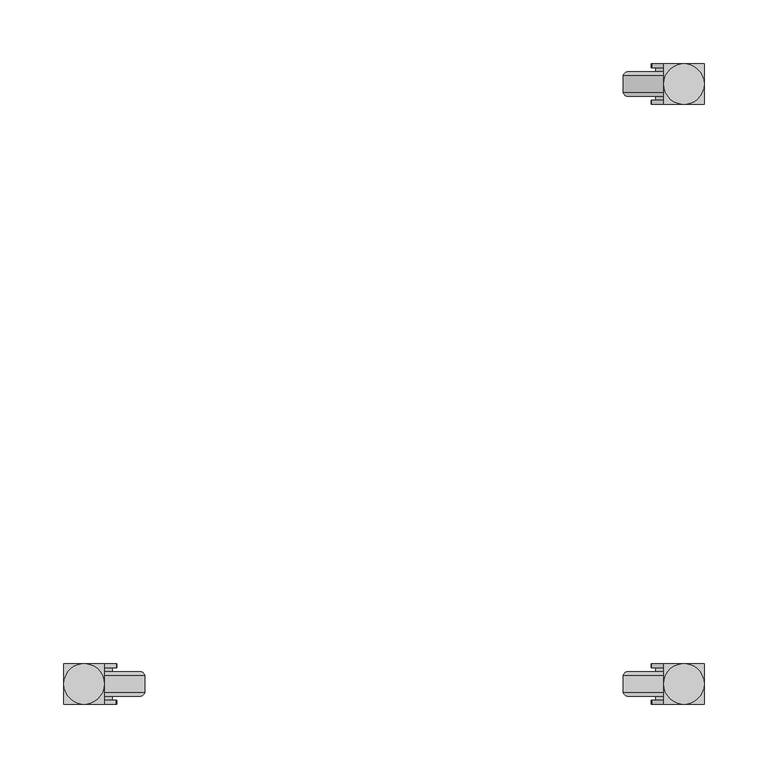
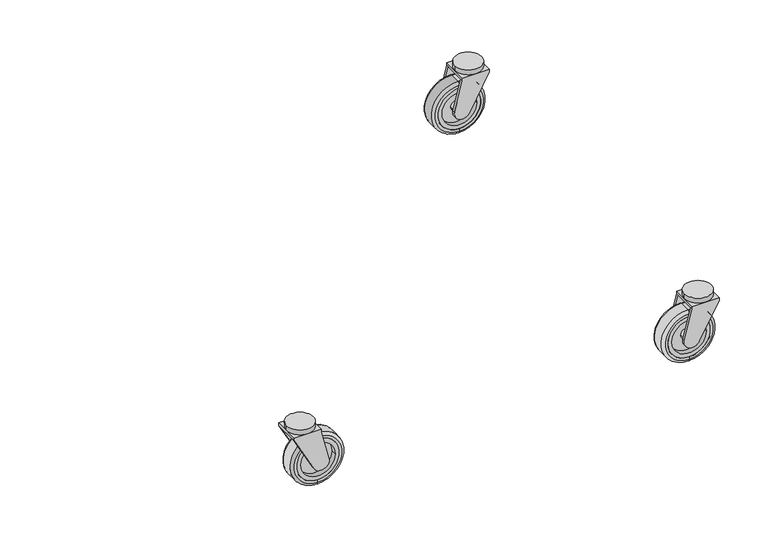
"""IFC4 building model written with IfcOpenShell, lengths in millimetres: proxy geometry."""

from ifc_helpers import new_model, si_unit, point, frame, frame_2d, origin, place, context, project, spatial, polyline, circle_curve, ellipse_curve, trimmed, segment, composite_curve, outline, extrude, source, transform, mapped, element, save
from ifc_brep_helpers import plane_surface, cylinder_surface, revolved_surface, advanced_brep


def specialty_equipment_463bab8f(model_context):
    return source(origin(), model_context, "Body", "SolidModel", [
        advanced_brep(
        [(739.775, -241.3, 0.0), (739.775, -241.3, 63.5), (739.775, -228.6, 63.5), (739.775, -228.6, 0.0), (739.775, -244.475, 3.175), (739.775, -244.475, 60.325), (739.775, -244.475, 6.35), (739.775, -244.475, 57.15), (739.775, -225.425, 6.35), (739.775, -225.425, 57.15), (739.775, -225.425, 3.175), (739.775, -225.425, 60.325)],
        [
            (0, 1, circle_curve(frame((739.775, -241.3, 31.75), z_axis=(0.0, 1.0, 0.0), x_axis=(0.0, 0.0, 1.0)), 31.75)),
            (1, 2),
            (2, 3, circle_curve(frame((739.775, -228.6, 31.75), z_axis=(0.0, -1.0, 0.0), x_axis=(0.0, 0.0, 1.0)), 31.75)),
            (3, 0),
            (1, 0, circle_curve(frame((739.775, -241.3, 31.75), z_axis=(0.0, 1.0, 0.0), x_axis=(0.0, 0.0, 1.0)), 31.75)),
            (3, 2, circle_curve(frame((739.775, -228.6, 31.75), z_axis=(0.0, -1.0, 0.0), x_axis=(0.0, 0.0, 1.0)), 31.75)),
            (4, 5, circle_curve(frame((739.775, -244.475, 31.75), z_axis=(0.0, 1.0, 0.0), x_axis=(0.0, 0.0, 1.0)), 28.575)),
            (5, 1, circle_curve(frame((739.775, -241.3, 60.325), z_axis=(-1.0000000000000002, 0.0, 0.0), x_axis=(0.0, 1.0000000000000002, 0.0)), 3.175)),
            (0, 4, circle_curve(frame((739.775, -241.3, 3.175), z_axis=(-1.0000000000000002, 0.0, 0.0), x_axis=(0.0, 1.0000000000000002, 0.0)), 3.175)),
            (5, 4, circle_curve(frame((739.775, -244.475, 31.75), z_axis=(0.0, 1.0, 0.0), x_axis=(0.0, 0.0, 1.0)), 28.575)),
            (6, 7, circle_curve(frame((739.775, -244.475, 31.75), z_axis=(0.0, 1.0, 0.0), x_axis=(0.0, 0.0, 1.0)), 25.4)),
            (7, 5),
            (4, 6),
            (7, 6, circle_curve(frame((739.775, -244.475, 31.75), z_axis=(0.0, 1.0, 0.0), x_axis=(0.0, 0.0, 1.0)), 25.4)),
            (8, 9, circle_curve(frame((739.775, -225.425, 31.75), z_axis=(0.0, 1.0, 0.0), x_axis=(0.0, 0.0, 1.0)), 25.4)),
            (9, 7),
            (6, 8),
            (9, 8, circle_curve(frame((739.775, -225.425, 31.75), z_axis=(0.0, 1.0, 0.0), x_axis=(0.0, 0.0, 1.0)), 25.4)),
            (10, 11, circle_curve(frame((739.775, -225.425, 31.75), z_axis=(0.0, 1.0, 0.0), x_axis=(0.0, 0.0, 1.0)), 28.575)),
            (11, 9),
            (8, 10),
            (11, 10, circle_curve(frame((739.775, -225.425, 31.75), z_axis=(0.0, 1.0, 0.0), x_axis=(0.0, 0.0, 1.0)), 28.575)),
            (2, 11, circle_curve(frame((739.775, -228.6, 60.325), z_axis=(-1.0000000000000002, 0.0, 0.0), x_axis=(0.0, 1.0000000000000002, 0.0)), 3.175)),
            (10, 3, circle_curve(frame((739.775, -228.6, 3.175), z_axis=(-1.0000000000000002, 0.0, 0.0), x_axis=(0.0, 1.0000000000000002, 0.0)), 3.175)),
        ],
        [
            cylinder_surface(frame((739.775, -257.175, 31.75), z_axis=(0.0, -1.0000000000000002, 0.0), x_axis=(0.0, 0.0, 1.0)), 31.75),
            revolved_surface(trimmed(ellipse_curve(frame((739.775, -241.3, 60.325), z_axis=(1.0000000000000002, 0.0, 0.0), x_axis=(0.0, 1.0000000000000002, 0.0)), 3.175, 3.175), [point((739.775, -241.3, 63.5))], [point((739.775, -244.475, 60.325))], True, "CARTESIAN"), (739.775, -257.175, 31.75), (0.0, -1.0000000000000002, 0.0)),
            plane_surface(frame((739.775, -244.475, 31.75), z_axis=(0.0, -1.0, 0.0), x_axis=(0.0, 0.0, 1.0))),
            revolved_surface(polyline([(739.775, -244.475, 57.15), (739.775, -225.425, 57.15)]), (739.775, -257.175, 31.75), (0.0, -1.0000000000000002, 0.0)),
            plane_surface(frame((739.775, -225.425, 31.75), z_axis=(0.0, 1.0, 0.0), x_axis=(0.0, 0.0, 1.0))),
            revolved_surface(trimmed(ellipse_curve(frame((739.775, -228.6, 60.325), z_axis=(1.0000000000000002, 0.0, 0.0), x_axis=(0.0, 1.0000000000000002, 0.0)), 3.175, 3.175), [point((739.775, -225.425, 60.325))], [point((739.775, -228.6, 63.5))], True, "CARTESIAN"), (739.775, -257.175, 31.75), (0.0, -1.0000000000000002, 0.0)),
        ],
        [
            (0, [[1, 2, 3, 4]]),
            (0, [[5, -4, 6, -2]]),
            (1, [[7, 8, -1, 9]]),
            (1, [[10, -9, -5, -8]]),
            (2, [[11, 12, -7, 13]]),
            (2, [[14, -13, -10, -12]]),
            (3, [[15, 16, -11, 17]]),
            (3, [[18, -17, -14, -16]]),
            (4, [[19, 20, -15, 21]]),
            (4, [[22, -21, -18, -20]]),
            (5, [[-3, 23, -19, 24]]),
            (5, [[-6, -24, -22, -23]]),
        ],
    ),
        advanced_brep(
        [(714.375, -244.475, 31.75), (765.175, -244.475, 31.75), (719.455, -244.475, 31.75), (760.095, -244.475, 31.75), (733.425, -244.475, 31.75), (746.125, -244.475, 31.75), (714.375, -238.125, 31.75), (765.175, -238.125, 31.75), (733.425, -238.125, 31.75), (746.125, -238.125, 31.75), (719.455, -238.125, 31.75), (760.095, -238.125, 31.75), (760.095, -231.775, 31.75), (719.455, -231.775, 31.75), (746.125, -231.775, 31.75), (733.425, -231.775, 31.75), (714.375, -231.775, 31.75), (765.175, -231.775, 31.75), (714.375, -225.425, 31.75), (765.175, -225.425, 31.75), (719.455, -225.425, 31.75), (760.095, -225.425, 31.75), (733.425, -225.425, 31.75), (746.125, -225.425, 31.75)],
        [
            (0, 1, circle_curve(frame((739.775, -244.475, 31.75), z_axis=(0.0, -1.0, 0.0), x_axis=(1.0000000000000002, 0.0, 0.0)), 25.4)),
            (1, 0, circle_curve(frame((739.775, -244.475, 31.75), z_axis=(0.0, -1.0, 0.0), x_axis=(1.0000000000000002, 0.0, 0.0)), 25.4)),
            (2, 3, circle_curve(frame((739.775, -244.475, 31.75), z_axis=(0.0, 1.0, 0.0), x_axis=(1.0000000000000002, 0.0, 0.0)), 20.32)),
            (3, 2, circle_curve(frame((739.775, -244.475, 31.75), z_axis=(0.0, 1.0, 0.0), x_axis=(1.0000000000000002, 0.0, 0.0)), 20.32)),
            (4, 5, circle_curve(frame((739.775, -244.475, 31.75), z_axis=(0.0, -1.0, 0.0), x_axis=(1.0000000000000002, 0.0, 0.0)), 6.35)),
            (5, 4, circle_curve(frame((739.775, -244.475, 31.75), z_axis=(0.0, -1.0, 0.0), x_axis=(1.0000000000000002, 0.0, 0.0)), 6.35)),
            (0, 6),
            (6, 7, circle_curve(frame((739.775, -238.125, 31.75), z_axis=(0.0, -1.0, 0.0), x_axis=(1.0000000000000002, 0.0, 0.0)), 25.4)),
            (7, 1),
            (7, 6, circle_curve(frame((739.775, -238.125, 31.75), z_axis=(0.0, -1.0, 0.0), x_axis=(1.0000000000000002, 0.0, 0.0)), 25.4)),
            (4, 8),
            (8, 9, circle_curve(frame((739.775, -238.125, 31.75), z_axis=(0.0, -1.0, 0.0), x_axis=(1.0000000000000002, 0.0, 0.0)), 6.35)),
            (9, 5),
            (9, 8, circle_curve(frame((739.775, -238.125, 31.75), z_axis=(0.0, -1.0, 0.0), x_axis=(1.0000000000000002, 0.0, 0.0)), 6.35)),
            (2, 10),
            (10, 11, circle_curve(frame((739.775, -238.125, 31.75), z_axis=(0.0, 1.0, 0.0), x_axis=(1.0000000000000002, 0.0, 0.0)), 20.32)),
            (11, 3),
            (11, 10, circle_curve(frame((739.775, -238.125, 31.75), z_axis=(0.0, 1.0, 0.0), x_axis=(1.0000000000000002, 0.0, 0.0)), 20.32)),
            (12, 13, circle_curve(frame((739.775, -231.775, 31.75), z_axis=(0.0, 1.0, 0.0), x_axis=(1.0000000000000002, 0.0, 0.0)), 20.32)),
            (13, 12, circle_curve(frame((739.775, -231.775, 31.75), z_axis=(0.0, 1.0, 0.0), x_axis=(1.0000000000000002, 0.0, 0.0)), 20.32)),
            (14, 15, circle_curve(frame((739.775, -231.775, 31.75), z_axis=(0.0, -1.0, 0.0), x_axis=(1.0000000000000002, 0.0, 0.0)), 6.35)),
            (15, 14, circle_curve(frame((739.775, -231.775, 31.75), z_axis=(0.0, -1.0, 0.0), x_axis=(1.0000000000000002, 0.0, 0.0)), 6.35)),
            (6, 16),
            (16, 17, circle_curve(frame((739.775, -231.775, 31.75), z_axis=(0.0, -1.0, 0.0), x_axis=(1.0000000000000002, 0.0, 0.0)), 25.4)),
            (17, 7),
            (17, 16, circle_curve(frame((739.775, -231.775, 31.75), z_axis=(0.0, -1.0, 0.0), x_axis=(1.0000000000000002, 0.0, 0.0)), 25.4)),
            (18, 19, circle_curve(frame((739.775, -225.425, 31.75), z_axis=(0.0, 1.0, 0.0), x_axis=(1.0000000000000002, 0.0, 0.0)), 25.4)),
            (19, 18, circle_curve(frame((739.775, -225.425, 31.75), z_axis=(0.0, 1.0, 0.0), x_axis=(1.0000000000000002, 0.0, 0.0)), 25.4)),
            (20, 21, circle_curve(frame((739.775, -225.425, 31.75), z_axis=(0.0, -1.0, 0.0), x_axis=(1.0000000000000002, 0.0, 0.0)), 20.32)),
            (21, 20, circle_curve(frame((739.775, -225.425, 31.75), z_axis=(0.0, -1.0, 0.0), x_axis=(1.0000000000000002, 0.0, 0.0)), 20.32)),
            (22, 23, circle_curve(frame((739.775, -225.425, 31.75), z_axis=(0.0, 1.0, 0.0), x_axis=(1.0000000000000002, 0.0, 0.0)), 6.35)),
            (23, 22, circle_curve(frame((739.775, -225.425, 31.75), z_axis=(0.0, 1.0, 0.0), x_axis=(1.0000000000000002, 0.0, 0.0)), 6.35)),
            (18, 16),
            (17, 19),
            (22, 15),
            (14, 23),
            (20, 13),
            (12, 21),
        ],
        [
            plane_surface(frame((765.175, -244.475, 31.75), z_axis=(0.0, -1.0, 0.0), x_axis=(0.0, 0.0, 1.0))),
            cylinder_surface(frame((739.775, -238.125, 31.75), z_axis=(0.0, -1.0000000000000002, 0.0), x_axis=(1.0000000000000002, 0.0, 0.0)), 25.4),
            cylinder_surface(frame((739.775, -234.95, 31.75), z_axis=(0.0, -1.0000000000000002, 0.0), x_axis=(1.0000000000000002, 0.0, 0.0)), 6.35),
            revolved_surface(polyline([(760.095, -238.125, 31.75), (760.095, -244.475, 31.75)]), (739.775, -234.95, 31.75), (0.0, 1.0000000000000002, 0.0)),
            plane_surface(frame((765.175, -238.125, 31.75), z_axis=(0.0, -1.0, 0.0), x_axis=(0.0, 0.0, 1.0))),
            plane_surface(frame((765.175, -231.775, 31.75), z_axis=(0.0, 1.0, 0.0), x_axis=(0.0, 0.0, -1.0))),
            cylinder_surface(frame((739.775, -231.775, 31.75), z_axis=(0.0, -1.0000000000000002, 0.0), x_axis=(1.0000000000000002, 0.0, 0.0)), 25.4),
            plane_surface(frame((765.175, -225.425, 31.75), z_axis=(0.0, 1.0, 0.0), x_axis=(0.0, 0.0, -1.0))),
            cylinder_surface(frame((739.775, -231.775, 31.75), z_axis=(0.0, 1.0000000000000002, 0.0), x_axis=(1.0000000000000002, 0.0, 0.0)), 25.4),
            cylinder_surface(frame((739.775, -234.95, 31.75), z_axis=(0.0, 1.0000000000000002, 0.0), x_axis=(1.0000000000000002, 0.0, 0.0)), 6.35),
            revolved_surface(polyline([(760.095, -231.775, 31.75), (760.095, -225.425, 31.75)]), (739.775, -234.95, 31.75), (0.0, -1.0000000000000002, 0.0)),
        ],
        [
            (0, [[1, 2], [3, 4]]),
            (0, [[5, 6]]),
            (1, [[-1, 7, 8, 9]]),
            (1, [[-2, -9, 10, -7]]),
            (2, [[-5, 11, 12, 13]]),
            (2, [[-6, -13, 14, -11]]),
            (3, [[-3, 15, 16, 17]]),
            (3, [[-4, -17, 18, -15]]),
            (4, [[-16, -18], [-12, -14]]),
            (5, [[19, 20], [21, 22]]),
            (6, [[23, 24, 25, -8]]),
            (6, [[-23, -10, -25, 26]]),
            (7, [[27, 28], [29, 30]]),
            (7, [[31, 32]]),
            (8, [[-27, 33, -26, 34]]),
            (8, [[-28, -34, -24, -33]]),
            (9, [[-31, 35, -21, 36]]),
            (9, [[-32, -36, -22, -35]]),
            (10, [[-29, 37, -19, 38]]),
            (10, [[-30, -38, -20, -37]]),
        ],
    ),
        advanced_brep(
        [(733.425, -247.65, 31.75), (733.425, -222.25, 31.75), (746.125, -222.25, 31.75), (746.125, -247.65, 31.75), (730.471256, -250.825, 33.7910714), (748.3724401, -250.825, 27.6500428), (771.525, -250.825, 69.85), (771.525, -250.825, 73.025), (739.775, -250.825, 73.025), (739.775, -250.825, 69.85), (730.471256, -247.65, 33.7910714), (739.775, -247.65, 69.85), (771.525, -247.65, 69.85), (748.3724401, -247.65, 27.6500428), (771.525, -219.075, 73.025), (739.775, -219.075, 73.025), (739.775, -222.25, 69.85), (771.525, -222.25, 69.85), (771.525, -219.075, 69.85), (748.3724401, -219.075, 27.6500428), (730.471256, -219.075, 33.7910714), (739.775, -219.075, 69.85), (730.471256, -222.25, 33.7910714), (748.3724401, -222.25, 27.6500428)],
        [
            (0, 1),
            (1, 2, circle_curve(frame((739.775, -222.25, 31.75), z_axis=(0.0, -1.0, 0.0), x_axis=(1.0000000000000002, 0.0, 0.0)), 6.35)),
            (2, 3),
            (3, 0, circle_curve(frame((739.775, -247.65, 31.75), z_axis=(0.0, 1.0, 0.0), x_axis=(1.0000000000000002, 0.0, 0.0)), 6.35)),
            (0, 3, circle_curve(frame((739.775, -247.65, 31.75), z_axis=(0.0, 1.0, 0.0), x_axis=(1.0000000000000002, 0.0, 0.0)), 6.35)),
            (2, 1, circle_curve(frame((739.775, -222.25, 31.75), z_axis=(0.0, -1.0, 0.0), x_axis=(1.0000000000000002, 0.0, 0.0)), 6.35)),
            (4, 5, circle_curve(frame((739.775, -250.825, 31.75), z_axis=(0.0, -1.0, 0.0), x_axis=(1.0000000000000002, 0.0, 0.0)), 9.525)),
            (5, 6),
            (6, 7),
            (7, 8),
            (8, 9),
            (9, 4),
            (10, 11),
            (11, 12),
            (12, 13),
            (13, 10, circle_curve(frame((739.775, -247.65, 31.75), z_axis=(0.0, 1.0, 0.0), x_axis=(1.0000000000000002, 0.0, 0.0)), 9.525)),
            (4, 10),
            (13, 5),
            (12, 6),
            (9, 11),
            (14, 15),
            (15, 8),
            (7, 14),
            (11, 16),
            (16, 17),
            (17, 12),
            (14, 18),
            (18, 19),
            (19, 20, circle_curve(frame((739.775, -219.075, 31.75), z_axis=(0.0, 1.0, 0.0), x_axis=(1.0000000000000002, 0.0, 0.0)), 9.525)),
            (20, 21),
            (21, 15),
            (21, 16),
            (17, 18),
            (22, 23, circle_curve(frame((739.775, -222.25, 31.75), z_axis=(0.0, -1.0, 0.0), x_axis=(1.0000000000000002, 0.0, 0.0)), 9.525)),
            (23, 17),
            (16, 22),
            (20, 22),
            (23, 19),
        ],
        [
            cylinder_surface(frame((739.775, -222.25, 31.75), z_axis=(0.0, -1.0000000000000002, 0.0), x_axis=(1.0000000000000002, 0.0, 0.0)), 6.35),
            plane_surface(frame((749.3, -250.825, 31.75), z_axis=(0.0, -1.0, 0.0), x_axis=(0.0, 0.0, 1.0))),
            plane_surface(frame((749.3, -247.65, 31.75), z_axis=(0.0, 1.0, 0.0), x_axis=(0.0, 0.0, -1.0))),
            cylinder_surface(frame((739.775, -247.65, 31.75), z_axis=(0.0, -1.0000000000000002, 0.0), x_axis=(1.0000000000000002, 0.0, 0.0)), 9.525),
            plane_surface(frame((748.3724401, -250.825, 27.6500428), z_axis=(0.8767191283457083, 0.0, -0.4810026715027077), x_axis=(0.0, 1.0, 0.0))),
            plane_surface(frame((739.775, -250.825, 69.85), z_axis=(-0.9682889261954798, 0.0, 0.24983305507319234), x_axis=(0.0, 1.0, 0.0))),
            plane_surface(frame((739.775, -219.075, 73.025), z_axis=(0.0, 0.0, 1.0), x_axis=(-1.0, 0.0, 0.0))),
            plane_surface(frame((739.775, -219.075, 69.85), z_axis=(0.0, 0.0, -1.0), x_axis=(1.0, 0.0, 0.0))),
            plane_surface(frame((771.525, -219.075, 73.025), z_axis=(0.0, 1.0, 0.0), x_axis=(0.0, 0.0, -1.0))),
            plane_surface(frame((739.775, -219.075, 73.025), z_axis=(-1.0, 0.0, 0.0), x_axis=(0.0, 0.0, -1.0))),
            plane_surface(frame((771.525, -250.825, 73.025), z_axis=(1.0, 0.0, 0.0), x_axis=(0.0, 0.0, -1.0))),
            plane_surface(frame((741.3183757, -222.25, 75.8317288), z_axis=(0.0, -1.0, 0.0), x_axis=(-0.24983305507319234, 0.0, -0.9682889261954798))),
            plane_surface(frame((730.471256, -219.075, 33.7910714), z_axis=(-0.9682889261954798, 0.0, 0.24983305507319234), x_axis=(0.0, -1.0, 0.0))),
            plane_surface(frame((771.525, -219.075, 69.85), z_axis=(0.8767191283457083, 0.0, -0.4810026715027077), x_axis=(0.0, -1.0, 0.0))),
            cylinder_surface(frame((739.775, -222.25, 31.75), z_axis=(0.0, 1.0000000000000002, 0.0), x_axis=(1.0000000000000002, 0.0, 0.0)), 9.525),
        ],
        [
            (0, [[1, 2, 3, 4]]),
            (0, [[-1, 5, -3, 6]]),
            (1, [[7, 8, 9, 10, 11, 12]]),
            (2, [[13, 14, 15, 16], [-4, -5]]),
            (3, [[-7, 17, -16, 18]]),
            (4, [[-8, -18, -15, 19]]),
            (5, [[-12, 20, -13, -17]]),
            (6, [[21, 22, -10, 23]]),
            (7, [[-14, 24, 25, 26]]),
            (8, [[-21, 27, 28, 29, 30, 31]]),
            (9, [[-22, -31, 32, -24, -20, -11]]),
            (10, [[-23, -9, -19, -26, 33, -27]]),
            (11, [[34, 35, -25, 36], [-2, -6]]),
            (12, [[-30, 37, -36, -32]]),
            (13, [[-28, -33, -35, 38]]),
            (14, [[-29, -38, -34, -37]]),
        ],
    ),
        extrude(outline(composite_curve([segment(trimmed(circle_curve(frame_2d((755.65, -234.95)), 15.875), [point((739.775, -234.95))], [point((771.525, -234.95))], False, "CARTESIAN"), True, "CONTINUOUS"), segment(trimmed(circle_curve(frame_2d((755.65, -234.95)), 15.875), [point((771.525, -234.95))], [point((739.775, -234.95))], False, "CARTESIAN"), True, "CONTINUOUS")], self_intersect=False)), frame((0.0, 0.0, 73.025), z_axis=(0.0, 0.0, 1.0), x_axis=(1.0, 0.0, 0.0)), (0.0, 0.0, 1.0), 6.35),
        advanced_brep(
        [(739.775, 241.3, 0.0), (739.775, 228.6, 0.0), (739.775, 228.6, 63.5), (739.775, 241.3, 63.5), (739.775, 244.475, 3.175), (739.775, 244.475, 60.325), (739.775, 244.475, 6.35), (739.775, 244.475, 57.15), (739.775, 225.425, 6.35), (739.775, 225.425, 57.15), (739.775, 225.425, 3.175), (739.775, 225.425, 60.325)],
        [
            (0, 1),
            (1, 2, circle_curve(frame((739.775, 228.6, 31.75), z_axis=(0.0, 1.0, 0.0), x_axis=(0.0, 0.0, 1.0)), 31.75)),
            (2, 3),
            (3, 0, circle_curve(frame((739.775, 241.3, 31.75), z_axis=(0.0, -1.0, 0.0), x_axis=(0.0, 0.0, 1.0)), 31.75)),
            (2, 1, circle_curve(frame((739.775, 228.6, 31.75), z_axis=(0.0, 1.0, 0.0), x_axis=(0.0, 0.0, 1.0)), 31.75)),
            (0, 3, circle_curve(frame((739.775, 241.3, 31.75), z_axis=(0.0, -1.0, 0.0), x_axis=(0.0, 0.0, 1.0)), 31.75)),
            (4, 0, circle_curve(frame((739.775, 241.3, 3.175), z_axis=(-1.0000000000000002, 0.0, 0.0), x_axis=(0.0, -1.0000000000000002, 0.0)), 3.175)),
            (3, 5, circle_curve(frame((739.775, 241.3, 60.325), z_axis=(-1.0000000000000002, 0.0, 0.0), x_axis=(0.0, -1.0000000000000002, 0.0)), 3.175)),
            (5, 4, circle_curve(frame((739.775, 244.475, 31.75), z_axis=(0.0, -1.0, 0.0), x_axis=(0.0, 0.0, 1.0)), 28.575)),
            (4, 5, circle_curve(frame((739.775, 244.475, 31.75), z_axis=(0.0, -1.0, 0.0), x_axis=(0.0, 0.0, 1.0)), 28.575)),
            (6, 4),
            (5, 7),
            (7, 6, circle_curve(frame((739.775, 244.475, 31.75), z_axis=(0.0, -1.0, 0.0), x_axis=(0.0, 0.0, 1.0)), 25.4)),
            (6, 7, circle_curve(frame((739.775, 244.475, 31.75), z_axis=(0.0, -1.0, 0.0), x_axis=(0.0, 0.0, 1.0)), 25.4)),
            (8, 6),
            (7, 9),
            (9, 8, circle_curve(frame((739.775, 225.425, 31.75), z_axis=(0.0, -1.0, 0.0), x_axis=(0.0, 0.0, 1.0)), 25.4)),
            (8, 9, circle_curve(frame((739.775, 225.425, 31.75), z_axis=(0.0, -1.0, 0.0), x_axis=(0.0, 0.0, 1.0)), 25.4)),
            (10, 8),
            (9, 11),
            (11, 10, circle_curve(frame((739.775, 225.425, 31.75), z_axis=(0.0, -1.0, 0.0), x_axis=(0.0, 0.0, 1.0)), 28.575)),
            (10, 11, circle_curve(frame((739.775, 225.425, 31.75), z_axis=(0.0, -1.0, 0.0), x_axis=(0.0, 0.0, 1.0)), 28.575)),
            (1, 10, circle_curve(frame((739.775, 228.6, 3.175), z_axis=(-1.0000000000000002, 0.0, 0.0), x_axis=(0.0, -1.0000000000000002, 0.0)), 3.175)),
            (11, 2, circle_curve(frame((739.775, 228.6, 60.325), z_axis=(-1.0000000000000002, 0.0, 0.0), x_axis=(0.0, -1.0000000000000002, 0.0)), 3.175)),
        ],
        [
            cylinder_surface(frame((739.775, 257.175, 31.75), z_axis=(0.0, 1.0000000000000002, 0.0), x_axis=(0.0, 0.0, 1.0)), 31.75),
            revolved_surface(trimmed(ellipse_curve(frame((739.775, 241.3, 60.325), z_axis=(-1.0000000000000002, 0.0, 0.0), x_axis=(0.0, -1.0000000000000002, 0.0)), 3.175, 3.175), [point((739.775, 241.3, 63.5))], [point((739.775, 244.475, 60.325))], True, "CARTESIAN"), (739.775, 257.175, 31.75), (0.0, 1.0000000000000002, 0.0)),
            plane_surface(frame((739.775, 244.475, 31.75), z_axis=(0.0, 1.0, 0.0), x_axis=(0.0, 0.0, 1.0))),
            revolved_surface(polyline([(739.775, 244.475, 57.15), (739.775, 225.425, 57.15)]), (739.775, 257.175, 31.75), (0.0, 1.0000000000000002, 0.0)),
            plane_surface(frame((739.775, 225.425, 31.75), z_axis=(0.0, -1.0, 0.0), x_axis=(0.0, 0.0, 1.0))),
            revolved_surface(trimmed(ellipse_curve(frame((739.775, 228.6, 60.325), z_axis=(-1.0000000000000002, 0.0, 0.0), x_axis=(0.0, -1.0000000000000002, 0.0)), 3.175, 3.175), [point((739.775, 225.425, 60.325))], [point((739.775, 228.6, 63.5))], True, "CARTESIAN"), (739.775, 257.175, 31.75), (0.0, 1.0000000000000002, 0.0)),
        ],
        [
            (0, [[1, 2, 3, 4]]),
            (0, [[-3, 5, -1, 6]]),
            (1, [[7, -4, 8, 9]]),
            (1, [[-8, -6, -7, 10]]),
            (2, [[11, -9, 12, 13]]),
            (2, [[-12, -10, -11, 14]]),
            (3, [[15, -13, 16, 17]]),
            (3, [[-16, -14, -15, 18]]),
            (4, [[19, -17, 20, 21]]),
            (4, [[-20, -18, -19, 22]]),
            (5, [[23, -21, 24, -2]]),
            (5, [[-24, -22, -23, -5]]),
        ],
    ),
        advanced_brep(
        [(714.375, 244.475, 31.75), (765.175, 244.475, 31.75), (719.455, 244.475, 31.75), (760.095, 244.475, 31.75), (733.425, 244.475, 31.75), (746.125, 244.475, 31.75), (765.175, 238.125, 31.75), (714.375, 238.125, 31.75), (746.125, 238.125, 31.75), (733.425, 238.125, 31.75), (760.095, 238.125, 31.75), (719.455, 238.125, 31.75), (760.095, 231.775, 31.75), (719.455, 231.775, 31.75), (746.125, 231.775, 31.75), (733.425, 231.775, 31.75), (765.175, 231.775, 31.75), (714.375, 231.775, 31.75), (714.375, 225.425, 31.75), (765.175, 225.425, 31.75), (719.455, 225.425, 31.75), (760.095, 225.425, 31.75), (733.425, 225.425, 31.75), (746.125, 225.425, 31.75)],
        [
            (0, 1, circle_curve(frame((739.775, 244.475, 31.75), z_axis=(0.0, 1.0, 0.0), x_axis=(1.0000000000000002, 0.0, 0.0)), 25.4)),
            (1, 0, circle_curve(frame((739.775, 244.475, 31.75), z_axis=(0.0, 1.0, 0.0), x_axis=(1.0000000000000002, 0.0, 0.0)), 25.4)),
            (2, 3, circle_curve(frame((739.775, 244.475, 31.75), z_axis=(0.0, -1.0, 0.0), x_axis=(1.0000000000000002, 0.0, 0.0)), 20.32)),
            (3, 2, circle_curve(frame((739.775, 244.475, 31.75), z_axis=(0.0, -1.0, 0.0), x_axis=(1.0000000000000002, 0.0, 0.0)), 20.32)),
            (4, 5, circle_curve(frame((739.775, 244.475, 31.75), z_axis=(0.0, 1.0, 0.0), x_axis=(1.0000000000000002, 0.0, 0.0)), 6.35)),
            (5, 4, circle_curve(frame((739.775, 244.475, 31.75), z_axis=(0.0, 1.0, 0.0), x_axis=(1.0000000000000002, 0.0, 0.0)), 6.35)),
            (1, 6),
            (6, 7, circle_curve(frame((739.775, 238.125, 31.75), z_axis=(0.0, 1.0, 0.0), x_axis=(1.0000000000000002, 0.0, 0.0)), 25.4)),
            (7, 0),
            (7, 6, circle_curve(frame((739.775, 238.125, 31.75), z_axis=(0.0, 1.0, 0.0), x_axis=(1.0000000000000002, 0.0, 0.0)), 25.4)),
            (5, 8),
            (8, 9, circle_curve(frame((739.775, 238.125, 31.75), z_axis=(0.0, 1.0, 0.0), x_axis=(1.0000000000000002, 0.0, 0.0)), 6.35)),
            (9, 4),
            (9, 8, circle_curve(frame((739.775, 238.125, 31.75), z_axis=(0.0, 1.0, 0.0), x_axis=(1.0000000000000002, 0.0, 0.0)), 6.35)),
            (3, 10),
            (10, 11, circle_curve(frame((739.775, 238.125, 31.75), z_axis=(0.0, -1.0, 0.0), x_axis=(1.0000000000000002, 0.0, 0.0)), 20.32)),
            (11, 2),
            (11, 10, circle_curve(frame((739.775, 238.125, 31.75), z_axis=(0.0, -1.0, 0.0), x_axis=(1.0000000000000002, 0.0, 0.0)), 20.32)),
            (12, 13, circle_curve(frame((739.775, 231.775, 31.75), z_axis=(0.0, -1.0, 0.0), x_axis=(1.0000000000000002, 0.0, 0.0)), 20.32)),
            (13, 12, circle_curve(frame((739.775, 231.775, 31.75), z_axis=(0.0, -1.0, 0.0), x_axis=(1.0000000000000002, 0.0, 0.0)), 20.32)),
            (14, 15, circle_curve(frame((739.775, 231.775, 31.75), z_axis=(0.0, 1.0, 0.0), x_axis=(1.0000000000000002, 0.0, 0.0)), 6.35)),
            (15, 14, circle_curve(frame((739.775, 231.775, 31.75), z_axis=(0.0, 1.0, 0.0), x_axis=(1.0000000000000002, 0.0, 0.0)), 6.35)),
            (6, 16),
            (16, 17, circle_curve(frame((739.775, 231.775, 31.75), z_axis=(0.0, 1.0, 0.0), x_axis=(1.0000000000000002, 0.0, 0.0)), 25.4)),
            (17, 7),
            (17, 16, circle_curve(frame((739.775, 231.775, 31.75), z_axis=(0.0, 1.0, 0.0), x_axis=(1.0000000000000002, 0.0, 0.0)), 25.4)),
            (18, 19, circle_curve(frame((739.775, 225.425, 31.75), z_axis=(0.0, -1.0, 0.0), x_axis=(1.0000000000000002, 0.0, 0.0)), 25.4)),
            (19, 18, circle_curve(frame((739.775, 225.425, 31.75), z_axis=(0.0, -1.0, 0.0), x_axis=(1.0000000000000002, 0.0, 0.0)), 25.4)),
            (20, 21, circle_curve(frame((739.775, 225.425, 31.75), z_axis=(0.0, 1.0, 0.0), x_axis=(1.0000000000000002, 0.0, 0.0)), 20.32)),
            (21, 20, circle_curve(frame((739.775, 225.425, 31.75), z_axis=(0.0, 1.0, 0.0), x_axis=(1.0000000000000002, 0.0, 0.0)), 20.32)),
            (22, 23, circle_curve(frame((739.775, 225.425, 31.75), z_axis=(0.0, -1.0, 0.0), x_axis=(1.0000000000000002, 0.0, 0.0)), 6.35)),
            (23, 22, circle_curve(frame((739.775, 225.425, 31.75), z_axis=(0.0, -1.0, 0.0), x_axis=(1.0000000000000002, 0.0, 0.0)), 6.35)),
            (19, 16),
            (17, 18),
            (23, 14),
            (15, 22),
            (21, 12),
            (13, 20),
        ],
        [
            plane_surface(frame((765.175, 244.475, 31.75), z_axis=(0.0, 1.0, 0.0), x_axis=(0.0, 0.0, 1.0))),
            cylinder_surface(frame((739.775, 238.125, 31.75), z_axis=(0.0, 1.0000000000000002, 0.0), x_axis=(1.0000000000000002, 0.0, 0.0)), 25.4),
            cylinder_surface(frame((739.775, 234.95, 31.75), z_axis=(0.0, 1.0000000000000002, 0.0), x_axis=(1.0000000000000002, 0.0, 0.0)), 6.35),
            revolved_surface(polyline([(760.095, 238.125, 31.75), (760.095, 244.475, 31.75)]), (739.775, 234.95, 31.75), (0.0, -1.0000000000000002, 0.0)),
            plane_surface(frame((765.175, 238.125, 31.75), z_axis=(0.0, 1.0, 0.0), x_axis=(0.0, 0.0, 1.0))),
            plane_surface(frame((765.175, 231.775, 31.75), z_axis=(0.0, -1.0, 0.0), x_axis=(0.0, 0.0, -1.0))),
            cylinder_surface(frame((739.775, 231.775, 31.75), z_axis=(0.0, 1.0000000000000002, 0.0), x_axis=(1.0000000000000002, 0.0, 0.0)), 25.4),
            plane_surface(frame((765.175, 225.425, 31.75), z_axis=(0.0, -1.0, 0.0), x_axis=(0.0, 0.0, -1.0))),
            cylinder_surface(frame((739.775, 231.775, 31.75), z_axis=(0.0, -1.0000000000000002, 0.0), x_axis=(1.0000000000000002, 0.0, 0.0)), 25.4),
            cylinder_surface(frame((739.775, 234.95, 31.75), z_axis=(0.0, -1.0000000000000002, 0.0), x_axis=(1.0000000000000002, 0.0, 0.0)), 6.35),
            revolved_surface(polyline([(760.095, 231.775, 31.75), (760.095, 225.425, 31.75)]), (739.775, 234.95, 31.75), (0.0, 1.0000000000000002, 0.0)),
        ],
        [
            (0, [[1, 2], [3, 4]]),
            (0, [[5, 6]]),
            (1, [[7, 8, 9, -2]]),
            (1, [[-9, 10, -7, -1]]),
            (2, [[11, 12, 13, -6]]),
            (2, [[-13, 14, -11, -5]]),
            (3, [[15, 16, 17, -4]]),
            (3, [[-17, 18, -15, -3]]),
            (4, [[-18, -16], [-14, -12]]),
            (5, [[19, 20], [21, 22]]),
            (6, [[-8, 23, 24, 25]]),
            (6, [[26, -23, -10, -25]]),
            (7, [[27, 28], [29, 30]]),
            (7, [[31, 32]]),
            (8, [[33, -26, 34, -28]]),
            (8, [[-34, -24, -33, -27]]),
            (9, [[35, -22, 36, -32]]),
            (9, [[-36, -21, -35, -31]]),
            (10, [[37, -20, 38, -30]]),
            (10, [[-38, -19, -37, -29]]),
        ],
    ),
        advanced_brep(
        [(733.425, 247.65, 31.75), (746.125, 247.65, 31.75), (746.125, 222.25, 31.75), (733.425, 222.25, 31.75), (730.471256, 250.825, 33.7910714), (739.775, 250.825, 69.85), (739.775, 250.825, 73.025), (771.525, 250.825, 73.025), (771.525, 250.825, 69.85), (748.3724401, 250.825, 27.6500428), (730.471256, 247.65, 33.7910714), (748.3724401, 247.65, 27.6500428), (771.525, 247.65, 69.85), (739.775, 247.65, 69.85), (771.525, 219.075, 73.025), (739.775, 219.075, 73.025), (771.525, 222.25, 69.85), (739.775, 222.25, 69.85), (739.775, 219.075, 69.85), (730.471256, 219.075, 33.7910714), (748.3724401, 219.075, 27.6500428), (771.525, 219.075, 69.85), (730.471256, 222.25, 33.7910714), (748.3724401, 222.25, 27.6500428)],
        [
            (0, 1, circle_curve(frame((739.775, 247.65, 31.75), z_axis=(0.0, -1.0, 0.0), x_axis=(1.0000000000000002, 0.0, 0.0)), 6.35)),
            (1, 2),
            (2, 3, circle_curve(frame((739.775, 222.25, 31.75), z_axis=(0.0, 1.0, 0.0), x_axis=(1.0000000000000002, 0.0, 0.0)), 6.35)),
            (3, 0),
            (3, 2, circle_curve(frame((739.775, 222.25, 31.75), z_axis=(0.0, 1.0, 0.0), x_axis=(1.0000000000000002, 0.0, 0.0)), 6.35)),
            (1, 0, circle_curve(frame((739.775, 247.65, 31.75), z_axis=(0.0, -1.0, 0.0), x_axis=(1.0000000000000002, 0.0, 0.0)), 6.35)),
            (4, 5),
            (5, 6),
            (6, 7),
            (7, 8),
            (8, 9),
            (9, 4, circle_curve(frame((739.775, 250.825, 31.75), z_axis=(0.0, 1.0, 0.0), x_axis=(1.0000000000000002, 0.0, 0.0)), 9.525)),
            (10, 11, circle_curve(frame((739.775, 247.65, 31.75), z_axis=(0.0, -1.0, 0.0), x_axis=(1.0000000000000002, 0.0, 0.0)), 9.525)),
            (11, 12),
            (12, 13),
            (13, 10),
            (9, 11),
            (10, 4),
            (8, 12),
            (13, 5),
            (14, 7),
            (6, 15),
            (15, 14),
            (12, 16),
            (16, 17),
            (17, 13),
            (15, 18),
            (18, 19),
            (19, 20, circle_curve(frame((739.775, 219.075, 31.75), z_axis=(0.0, -1.0, 0.0), x_axis=(1.0000000000000002, 0.0, 0.0)), 9.525)),
            (20, 21),
            (21, 14),
            (17, 18),
            (21, 16),
            (22, 17),
            (16, 23),
            (23, 22, circle_curve(frame((739.775, 222.25, 31.75), z_axis=(0.0, 1.0, 0.0), x_axis=(1.0000000000000002, 0.0, 0.0)), 9.525)),
            (22, 19),
            (20, 23),
        ],
        [
            cylinder_surface(frame((739.775, 222.25, 31.75), z_axis=(0.0, 1.0000000000000002, 0.0), x_axis=(1.0000000000000002, 0.0, 0.0)), 6.35),
            plane_surface(frame((749.3, 250.825, 31.75), z_axis=(0.0, 1.0, 0.0), x_axis=(0.0, 0.0, 1.0))),
            plane_surface(frame((749.3, 247.65, 31.75), z_axis=(0.0, -1.0, 0.0), x_axis=(0.0, 0.0, -1.0))),
            cylinder_surface(frame((739.775, 247.65, 31.75), z_axis=(0.0, 1.0000000000000002, 0.0), x_axis=(1.0000000000000002, 0.0, 0.0)), 9.525),
            plane_surface(frame((748.3724401, 250.825, 27.6500428), z_axis=(0.8767191283457083, 0.0, -0.4810026715027077), x_axis=(0.0, -1.0, 0.0))),
            plane_surface(frame((739.775, 250.825, 69.85), z_axis=(-0.9682889261954798, 0.0, 0.24983305507319234), x_axis=(0.0, -1.0, 0.0))),
            plane_surface(frame((739.775, 219.075, 73.025), z_axis=(0.0, 0.0, 1.0), x_axis=(-1.0, 0.0, 0.0))),
            plane_surface(frame((739.775, 219.075, 69.85), z_axis=(0.0, 0.0, -1.0), x_axis=(1.0, 0.0, 0.0))),
            plane_surface(frame((771.525, 219.075, 73.025), z_axis=(0.0, -1.0, 0.0), x_axis=(0.0, 0.0, -1.0))),
            plane_surface(frame((739.775, 219.075, 73.025), z_axis=(-1.0, 0.0, 0.0), x_axis=(0.0, 0.0, -1.0))),
            plane_surface(frame((771.525, 250.825, 73.025), z_axis=(1.0, 0.0, 0.0), x_axis=(0.0, 0.0, -1.0))),
            plane_surface(frame((741.3183757, 222.25, 75.8317288), z_axis=(0.0, 1.0, 0.0), x_axis=(-0.24983305507319234, 0.0, -0.9682889261954798))),
            plane_surface(frame((730.471256, 219.075, 33.7910714), z_axis=(-0.9682889261954798, 0.0, 0.24983305507319234), x_axis=(0.0, 1.0, 0.0))),
            plane_surface(frame((771.525, 219.075, 69.85), z_axis=(0.8767191283457083, 0.0, -0.4810026715027077), x_axis=(0.0, 1.0, 0.0))),
            cylinder_surface(frame((739.775, 222.25, 31.75), z_axis=(0.0, -1.0000000000000002, 0.0), x_axis=(1.0000000000000002, 0.0, 0.0)), 9.525),
        ],
        [
            (0, [[1, 2, 3, 4]]),
            (0, [[5, -2, 6, -4]]),
            (1, [[7, 8, 9, 10, 11, 12]]),
            (2, [[13, 14, 15, 16], [-6, -1]]),
            (3, [[17, -13, 18, -12]]),
            (4, [[19, -14, -17, -11]]),
            (5, [[-18, -16, 20, -7]]),
            (6, [[21, -9, 22, 23]]),
            (7, [[24, 25, 26, -15]]),
            (8, [[27, 28, 29, 30, 31, -23]]),
            (9, [[-8, -20, -26, 32, -27, -22]]),
            (10, [[-31, 33, -24, -19, -10, -21]]),
            (11, [[34, -25, 35, 36], [-5, -3]]),
            (12, [[-32, -34, 37, -28]]),
            (13, [[38, -35, -33, -30]]),
            (14, [[-37, -36, -38, -29]]),
        ],
    ),
        extrude(outline(composite_curve([segment(trimmed(circle_curve(frame_2d((755.65, 234.95)), 15.875), [point((739.775, 234.95))], [point((771.525, 234.95))], False, "CARTESIAN"), True, "CONTINUOUS"), segment(trimmed(circle_curve(frame_2d((755.65, 234.95)), 15.875), [point((771.525, 234.95))], [point((739.775, 234.95))], False, "CARTESIAN"), True, "CONTINUOUS")], self_intersect=False)), frame((0.0, 0.0, 73.025), z_axis=(0.0, 0.0, 1.0), x_axis=(1.0, 0.0, 0.0)), (0.0, 0.0, 1.0), 6.35),
        advanced_brep(
        [(301.625, -241.3, 0.0), (301.625, -228.6, 0.0), (301.625, -228.6, 63.5), (301.625, -241.3, 63.5), (301.625, -244.475, 3.175), (301.625, -244.475, 60.325), (301.625, -244.475, 6.35), (301.625, -244.475, 57.15), (301.625, -225.425, 6.35), (301.625, -225.425, 57.15), (301.625, -225.425, 3.175), (301.625, -225.425, 60.325)],
        [
            (0, 1),
            (1, 2, circle_curve(frame((301.625, -228.6, 31.75), z_axis=(0.0, -1.0, 0.0), x_axis=(0.0, 0.0, 1.0)), 31.75)),
            (2, 3),
            (3, 0, circle_curve(frame((301.625, -241.3, 31.75), z_axis=(0.0, 1.0, 0.0), x_axis=(0.0, 0.0, 1.0)), 31.75)),
            (2, 1, circle_curve(frame((301.625, -228.6, 31.75), z_axis=(0.0, -1.0, 0.0), x_axis=(0.0, 0.0, 1.0)), 31.75)),
            (0, 3, circle_curve(frame((301.625, -241.3, 31.75), z_axis=(0.0, 1.0, 0.0), x_axis=(0.0, 0.0, 1.0)), 31.75)),
            (4, 0, circle_curve(frame((301.625, -241.3, 3.175), z_axis=(1.0000000000000002, 0.0, 0.0), x_axis=(0.0, 1.0000000000000002, 0.0)), 3.175)),
            (3, 5, circle_curve(frame((301.625, -241.3, 60.325), z_axis=(1.0000000000000002, 0.0, 0.0), x_axis=(0.0, 1.0000000000000002, 0.0)), 3.175)),
            (5, 4, circle_curve(frame((301.625, -244.475, 31.75), z_axis=(0.0, 1.0, 0.0), x_axis=(0.0, 0.0, 1.0)), 28.575)),
            (4, 5, circle_curve(frame((301.625, -244.475, 31.75), z_axis=(0.0, 1.0, 0.0), x_axis=(0.0, 0.0, 1.0)), 28.575)),
            (6, 4),
            (5, 7),
            (7, 6, circle_curve(frame((301.625, -244.475, 31.75), z_axis=(0.0, 1.0, 0.0), x_axis=(0.0, 0.0, 1.0)), 25.4)),
            (6, 7, circle_curve(frame((301.625, -244.475, 31.75), z_axis=(0.0, 1.0, 0.0), x_axis=(0.0, 0.0, 1.0)), 25.4)),
            (8, 6),
            (7, 9),
            (9, 8, circle_curve(frame((301.625, -225.425, 31.75), z_axis=(0.0, 1.0, 0.0), x_axis=(0.0, 0.0, 1.0)), 25.4)),
            (8, 9, circle_curve(frame((301.625, -225.425, 31.75), z_axis=(0.0, 1.0, 0.0), x_axis=(0.0, 0.0, 1.0)), 25.4)),
            (10, 8),
            (9, 11),
            (11, 10, circle_curve(frame((301.625, -225.425, 31.75), z_axis=(0.0, 1.0, 0.0), x_axis=(0.0, 0.0, 1.0)), 28.575)),
            (10, 11, circle_curve(frame((301.625, -225.425, 31.75), z_axis=(0.0, 1.0, 0.0), x_axis=(0.0, 0.0, 1.0)), 28.575)),
            (1, 10, circle_curve(frame((301.625, -228.6, 3.175), z_axis=(1.0000000000000002, 0.0, 0.0), x_axis=(0.0, 1.0000000000000002, 0.0)), 3.175)),
            (11, 2, circle_curve(frame((301.625, -228.6, 60.325), z_axis=(1.0000000000000002, 0.0, 0.0), x_axis=(0.0, 1.0000000000000002, 0.0)), 3.175)),
        ],
        [
            cylinder_surface(frame((301.625, -257.175, 31.75), z_axis=(0.0, -1.0000000000000002, 0.0), x_axis=(0.0, 0.0, 1.0)), 31.75),
            revolved_surface(trimmed(ellipse_curve(frame((301.625, -241.3, 60.325), z_axis=(1.0000000000000002, 0.0, 0.0), x_axis=(0.0, 1.0000000000000002, 0.0)), 3.175, 3.175), [point((301.625, -241.3, 63.5))], [point((301.625, -244.475, 60.325))], True, "CARTESIAN"), (301.625, -257.175, 31.75), (0.0, -1.0000000000000002, 0.0)),
            plane_surface(frame((301.625, -244.475, 31.75), z_axis=(0.0, -1.0, 0.0), x_axis=(0.0, 0.0, 1.0))),
            revolved_surface(polyline([(301.625, -244.475, 57.15), (301.625, -225.425, 57.15)]), (301.625, -257.175, 31.75), (0.0, -1.0000000000000002, 0.0)),
            plane_surface(frame((301.625, -225.425, 31.75), z_axis=(0.0, 1.0, 0.0), x_axis=(0.0, 0.0, 1.0))),
            revolved_surface(trimmed(ellipse_curve(frame((301.625, -228.6, 60.325), z_axis=(1.0000000000000002, 0.0, 0.0), x_axis=(0.0, 1.0000000000000002, 0.0)), 3.175, 3.175), [point((301.625, -225.425, 60.325))], [point((301.625, -228.6, 63.5))], True, "CARTESIAN"), (301.625, -257.175, 31.75), (0.0, -1.0000000000000002, 0.0)),
        ],
        [
            (0, [[1, 2, 3, 4]]),
            (0, [[-3, 5, -1, 6]]),
            (1, [[7, -4, 8, 9]]),
            (1, [[-8, -6, -7, 10]]),
            (2, [[11, -9, 12, 13]]),
            (2, [[-12, -10, -11, 14]]),
            (3, [[15, -13, 16, 17]]),
            (3, [[-16, -14, -15, 18]]),
            (4, [[19, -17, 20, 21]]),
            (4, [[-20, -18, -19, 22]]),
            (5, [[23, -21, 24, -2]]),
            (5, [[-24, -22, -23, -5]]),
        ],
    ),
        advanced_brep(
        [(327.025, -244.475, 31.75), (276.225, -244.475, 31.75), (321.945, -244.475, 31.75), (281.305, -244.475, 31.75), (307.975, -244.475, 31.75), (295.275, -244.475, 31.75), (276.225, -238.125, 31.75), (327.025, -238.125, 31.75), (295.275, -238.125, 31.75), (307.975, -238.125, 31.75), (281.305, -238.125, 31.75), (321.945, -238.125, 31.75), (281.305, -231.775, 31.75), (321.945, -231.775, 31.75), (295.275, -231.775, 31.75), (307.975, -231.775, 31.75), (276.225, -231.775, 31.75), (327.025, -231.775, 31.75), (327.025, -225.425, 31.75), (276.225, -225.425, 31.75), (321.945, -225.425, 31.75), (281.305, -225.425, 31.75), (307.975, -225.425, 31.75), (295.275, -225.425, 31.75)],
        [
            (0, 1, circle_curve(frame((301.625, -244.475, 31.75), z_axis=(0.0, -1.0, 0.0), x_axis=(-1.0000000000000002, 0.0, 0.0)), 25.4)),
            (1, 0, circle_curve(frame((301.625, -244.475, 31.75), z_axis=(0.0, -1.0, 0.0), x_axis=(-1.0000000000000002, 0.0, 0.0)), 25.4)),
            (2, 3, circle_curve(frame((301.625, -244.475, 31.75), z_axis=(0.0, 1.0, 0.0), x_axis=(-1.0000000000000002, 0.0, 0.0)), 20.32)),
            (3, 2, circle_curve(frame((301.625, -244.475, 31.75), z_axis=(0.0, 1.0, 0.0), x_axis=(-1.0000000000000002, 0.0, 0.0)), 20.32)),
            (4, 5, circle_curve(frame((301.625, -244.475, 31.75), z_axis=(0.0, -1.0, 0.0), x_axis=(-1.0000000000000002, 0.0, 0.0)), 6.35)),
            (5, 4, circle_curve(frame((301.625, -244.475, 31.75), z_axis=(0.0, -1.0, 0.0), x_axis=(-1.0000000000000002, 0.0, 0.0)), 6.35)),
            (1, 6),
            (6, 7, circle_curve(frame((301.625, -238.125, 31.75), z_axis=(0.0, -1.0, 0.0), x_axis=(-1.0000000000000002, 0.0, 0.0)), 25.4)),
            (7, 0),
            (7, 6, circle_curve(frame((301.625, -238.125, 31.75), z_axis=(0.0, -1.0, 0.0), x_axis=(-1.0000000000000002, 0.0, 0.0)), 25.4)),
            (5, 8),
            (8, 9, circle_curve(frame((301.625, -238.125, 31.75), z_axis=(0.0, -1.0, 0.0), x_axis=(-1.0000000000000002, 0.0, 0.0)), 6.35)),
            (9, 4),
            (9, 8, circle_curve(frame((301.625, -238.125, 31.75), z_axis=(0.0, -1.0, 0.0), x_axis=(-1.0000000000000002, 0.0, 0.0)), 6.35)),
            (3, 10),
            (10, 11, circle_curve(frame((301.625, -238.125, 31.75), z_axis=(0.0, 1.0, 0.0), x_axis=(-1.0000000000000002, 0.0, 0.0)), 20.32)),
            (11, 2),
            (11, 10, circle_curve(frame((301.625, -238.125, 31.75), z_axis=(0.0, 1.0, 0.0), x_axis=(-1.0000000000000002, 0.0, 0.0)), 20.32)),
            (12, 13, circle_curve(frame((301.625, -231.775, 31.75), z_axis=(0.0, 1.0, 0.0), x_axis=(-1.0000000000000002, 0.0, 0.0)), 20.32)),
            (13, 12, circle_curve(frame((301.625, -231.775, 31.75), z_axis=(0.0, 1.0, 0.0), x_axis=(-1.0000000000000002, 0.0, 0.0)), 20.32)),
            (14, 15, circle_curve(frame((301.625, -231.775, 31.75), z_axis=(0.0, -1.0, 0.0), x_axis=(-1.0000000000000002, 0.0, 0.0)), 6.35)),
            (15, 14, circle_curve(frame((301.625, -231.775, 31.75), z_axis=(0.0, -1.0, 0.0), x_axis=(-1.0000000000000002, 0.0, 0.0)), 6.35)),
            (6, 16),
            (16, 17, circle_curve(frame((301.625, -231.775, 31.75), z_axis=(0.0, -1.0, 0.0), x_axis=(-1.0000000000000002, 0.0, 0.0)), 25.4)),
            (17, 7),
            (17, 16, circle_curve(frame((301.625, -231.775, 31.75), z_axis=(0.0, -1.0, 0.0), x_axis=(-1.0000000000000002, 0.0, 0.0)), 25.4)),
            (18, 19, circle_curve(frame((301.625, -225.425, 31.75), z_axis=(0.0, 1.0, 0.0), x_axis=(-1.0000000000000002, 0.0, 0.0)), 25.4)),
            (19, 18, circle_curve(frame((301.625, -225.425, 31.75), z_axis=(0.0, 1.0, 0.0), x_axis=(-1.0000000000000002, 0.0, 0.0)), 25.4)),
            (20, 21, circle_curve(frame((301.625, -225.425, 31.75), z_axis=(0.0, -1.0, 0.0), x_axis=(-1.0000000000000002, 0.0, 0.0)), 20.32)),
            (21, 20, circle_curve(frame((301.625, -225.425, 31.75), z_axis=(0.0, -1.0, 0.0), x_axis=(-1.0000000000000002, 0.0, 0.0)), 20.32)),
            (22, 23, circle_curve(frame((301.625, -225.425, 31.75), z_axis=(0.0, 1.0, 0.0), x_axis=(-1.0000000000000002, 0.0, 0.0)), 6.35)),
            (23, 22, circle_curve(frame((301.625, -225.425, 31.75), z_axis=(0.0, 1.0, 0.0), x_axis=(-1.0000000000000002, 0.0, 0.0)), 6.35)),
            (19, 16),
            (17, 18),
            (23, 14),
            (15, 22),
            (21, 12),
            (13, 20),
        ],
        [
            plane_surface(frame((276.225, -244.475, 31.75), z_axis=(0.0, -1.0, 0.0), x_axis=(0.0, 0.0, 1.0))),
            cylinder_surface(frame((301.625, -238.125, 31.75), z_axis=(0.0, -1.0000000000000002, 0.0), x_axis=(-1.0000000000000002, 0.0, 0.0)), 25.4),
            cylinder_surface(frame((301.625, -234.95, 31.75), z_axis=(0.0, -1.0000000000000002, 0.0), x_axis=(-1.0000000000000002, 0.0, 0.0)), 6.35),
            revolved_surface(polyline([(281.305, -238.125, 31.75), (281.305, -244.475, 31.75)]), (301.625, -234.95, 31.75), (0.0, 1.0000000000000002, 0.0)),
            plane_surface(frame((276.225, -238.125, 31.75), z_axis=(0.0, -1.0, 0.0), x_axis=(0.0, 0.0, 1.0))),
            plane_surface(frame((276.225, -231.775, 31.75), z_axis=(0.0, 1.0, 0.0), x_axis=(0.0, 0.0, -1.0))),
            cylinder_surface(frame((301.625, -231.775, 31.75), z_axis=(0.0, -1.0000000000000002, 0.0), x_axis=(-1.0000000000000002, 0.0, 0.0)), 25.4),
            plane_surface(frame((276.225, -225.425, 31.75), z_axis=(0.0, 1.0, 0.0), x_axis=(0.0, 0.0, -1.0))),
            cylinder_surface(frame((301.625, -231.775, 31.75), z_axis=(0.0, 1.0000000000000002, 0.0), x_axis=(-1.0000000000000002, 0.0, 0.0)), 25.4),
            cylinder_surface(frame((301.625, -234.95, 31.75), z_axis=(0.0, 1.0000000000000002, 0.0), x_axis=(-1.0000000000000002, 0.0, 0.0)), 6.35),
            revolved_surface(polyline([(281.305, -231.775, 31.75), (281.305, -225.425, 31.75)]), (301.625, -234.95, 31.75), (0.0, -1.0000000000000002, 0.0)),
        ],
        [
            (0, [[1, 2], [3, 4]]),
            (0, [[5, 6]]),
            (1, [[7, 8, 9, -2]]),
            (1, [[-9, 10, -7, -1]]),
            (2, [[11, 12, 13, -6]]),
            (2, [[-13, 14, -11, -5]]),
            (3, [[15, 16, 17, -4]]),
            (3, [[-17, 18, -15, -3]]),
            (4, [[-18, -16], [-14, -12]]),
            (5, [[19, 20], [21, 22]]),
            (6, [[-8, 23, 24, 25]]),
            (6, [[26, -23, -10, -25]]),
            (7, [[27, 28], [29, 30]]),
            (7, [[31, 32]]),
            (8, [[33, -26, 34, -28]]),
            (8, [[-34, -24, -33, -27]]),
            (9, [[35, -22, 36, -32]]),
            (9, [[-36, -21, -35, -31]]),
            (10, [[37, -20, 38, -30]]),
            (10, [[-38, -19, -37, -29]]),
        ],
    ),
        advanced_brep(
        [(307.975, -247.65, 31.75), (295.275, -247.65, 31.75), (295.275, -222.25, 31.75), (307.975, -222.25, 31.75), (310.928744, -250.825, 33.7910714), (301.625, -250.825, 69.85), (301.625, -250.825, 73.025), (269.875, -250.825, 73.025), (269.875, -250.825, 69.85), (293.0275599, -250.825, 27.6500428), (310.928744, -247.65, 33.7910714), (293.0275599, -247.65, 27.6500428), (269.875, -247.65, 69.85), (301.625, -247.65, 69.85), (269.875, -219.075, 73.025), (301.625, -219.075, 73.025), (269.875, -222.25, 69.85), (301.625, -222.25, 69.85), (301.625, -219.075, 69.85), (310.928744, -219.075, 33.7910714), (293.0275599, -219.075, 27.6500428), (269.875, -219.075, 69.85), (310.928744, -222.25, 33.7910714), (293.0275599, -222.25, 27.6500428)],
        [
            (0, 1, circle_curve(frame((301.625, -247.65, 31.75), z_axis=(0.0, 1.0, 0.0), x_axis=(-1.0000000000000002, 0.0, 0.0)), 6.35)),
            (1, 2),
            (2, 3, circle_curve(frame((301.625, -222.25, 31.75), z_axis=(0.0, -1.0, 0.0), x_axis=(-1.0000000000000002, 0.0, 0.0)), 6.35)),
            (3, 0),
            (3, 2, circle_curve(frame((301.625, -222.25, 31.75), z_axis=(0.0, -1.0, 0.0), x_axis=(-1.0000000000000002, 0.0, 0.0)), 6.35)),
            (1, 0, circle_curve(frame((301.625, -247.65, 31.75), z_axis=(0.0, 1.0, 0.0), x_axis=(-1.0000000000000002, 0.0, 0.0)), 6.35)),
            (4, 5),
            (5, 6),
            (6, 7),
            (7, 8),
            (8, 9),
            (9, 4, circle_curve(frame((301.625, -250.825, 31.75), z_axis=(0.0, -1.0, 0.0), x_axis=(-1.0000000000000002, 0.0, 0.0)), 9.525)),
            (10, 11, circle_curve(frame((301.625, -247.65, 31.75), z_axis=(0.0, 1.0, 0.0), x_axis=(-1.0000000000000002, 0.0, 0.0)), 9.525)),
            (11, 12),
            (12, 13),
            (13, 10),
            (9, 11),
            (10, 4),
            (8, 12),
            (13, 5),
            (14, 7),
            (6, 15),
            (15, 14),
            (12, 16),
            (16, 17),
            (17, 13),
            (15, 18),
            (18, 19),
            (19, 20, circle_curve(frame((301.625, -219.075, 31.75), z_axis=(0.0, 1.0, 0.0), x_axis=(-1.0000000000000002, 0.0, 0.0)), 9.525)),
            (20, 21),
            (21, 14),
            (17, 18),
            (21, 16),
            (22, 17),
            (16, 23),
            (23, 22, circle_curve(frame((301.625, -222.25, 31.75), z_axis=(0.0, -1.0, 0.0), x_axis=(-1.0000000000000002, 0.0, 0.0)), 9.525)),
            (22, 19),
            (20, 23),
        ],
        [
            cylinder_surface(frame((301.625, -222.25, 31.75), z_axis=(0.0, -1.0000000000000002, 0.0), x_axis=(-1.0000000000000002, 0.0, 0.0)), 6.35),
            plane_surface(frame((292.1, -250.825, 31.75), z_axis=(0.0, -1.0, 0.0), x_axis=(0.0, 0.0, 1.0))),
            plane_surface(frame((292.1, -247.65, 31.75), z_axis=(0.0, 1.0, 0.0), x_axis=(0.0, 0.0, -1.0))),
            cylinder_surface(frame((301.625, -247.65, 31.75), z_axis=(0.0, -1.0000000000000002, 0.0), x_axis=(-1.0000000000000002, 0.0, 0.0)), 9.525),
            plane_surface(frame((293.0275599, -250.825, 27.6500428), z_axis=(-0.8767191283457083, 0.0, -0.4810026715027077), x_axis=(0.0, 1.0, 0.0))),
            plane_surface(frame((301.625, -250.825, 69.85), z_axis=(0.9682889261954798, 0.0, 0.24983305507319234), x_axis=(0.0, 1.0, 0.0))),
            plane_surface(frame((301.625, -219.075, 73.025), z_axis=(0.0, 0.0, 1.0), x_axis=(1.0, 0.0, 0.0))),
            plane_surface(frame((301.625, -219.075, 69.85), z_axis=(0.0, 0.0, -1.0), x_axis=(-1.0, 0.0, 0.0))),
            plane_surface(frame((269.875, -219.075, 73.025), z_axis=(0.0, 1.0, 0.0), x_axis=(0.0, 0.0, -1.0))),
            plane_surface(frame((301.625, -219.075, 73.025), z_axis=(1.0, 0.0, 0.0), x_axis=(0.0, 0.0, -1.0))),
            plane_surface(frame((269.875, -250.825, 73.025), z_axis=(-1.0, 0.0, 0.0), x_axis=(0.0, 0.0, -1.0))),
            plane_surface(frame((300.0816243, -222.25, 75.8317288), z_axis=(0.0, -1.0, 0.0), x_axis=(0.24983305507319234, 0.0, -0.9682889261954798))),
            plane_surface(frame((310.928744, -219.075, 33.7910714), z_axis=(0.9682889261954798, 0.0, 0.24983305507319234), x_axis=(0.0, -1.0, 0.0))),
            plane_surface(frame((269.875, -219.075, 69.85), z_axis=(-0.8767191283457083, 0.0, -0.4810026715027077), x_axis=(0.0, -1.0, 0.0))),
            cylinder_surface(frame((301.625, -222.25, 31.75), z_axis=(0.0, 1.0000000000000002, 0.0), x_axis=(-1.0000000000000002, 0.0, 0.0)), 9.525),
        ],
        [
            (0, [[1, 2, 3, 4]]),
            (0, [[5, -2, 6, -4]]),
            (1, [[7, 8, 9, 10, 11, 12]]),
            (2, [[13, 14, 15, 16], [-6, -1]]),
            (3, [[17, -13, 18, -12]]),
            (4, [[19, -14, -17, -11]]),
            (5, [[-18, -16, 20, -7]]),
            (6, [[21, -9, 22, 23]]),
            (7, [[24, 25, 26, -15]]),
            (8, [[27, 28, 29, 30, 31, -23]]),
            (9, [[-8, -20, -26, 32, -27, -22]]),
            (10, [[-31, 33, -24, -19, -10, -21]]),
            (11, [[34, -25, 35, 36], [-5, -3]]),
            (12, [[-32, -34, 37, -28]]),
            (13, [[38, -35, -33, -30]]),
            (14, [[-37, -36, -38, -29]]),
        ],
    ),
        extrude(outline(composite_curve([segment(trimmed(circle_curve(frame_2d((285.75, -234.95)), 15.875), [point((301.625, -234.95))], [point((269.875, -234.95))], False, "CARTESIAN"), True, "CONTINUOUS"), segment(trimmed(circle_curve(frame_2d((285.75, -234.95)), 15.875), [point((269.875, -234.95))], [point((301.625, -234.95))], False, "CARTESIAN"), True, "CONTINUOUS")], self_intersect=False)), frame((0.0, 0.0, 73.025), z_axis=(0.0, 0.0, 1.0), x_axis=(1.0, 0.0, 0.0)), (0.0, 0.0, 1.0), 6.35),
    ])


if __name__ == "__main__":
    model = new_model("IFC4")
    model_context = context("Model", 3, world=origin())
    ifc_project = project(units=[si_unit("LENGTHUNIT", "METRE", prefix="MILLI")], contexts=[model_context])
    site = spatial("IfcSite", under=ifc_project)
    building = spatial("IfcBuilding", under=site)
    placement = place(None, origin())
    specialty_equipment_shape = specialty_equipment_463bab8f(model_context)
    element("IfcBuildingElementProxy", 1, Name="Specialty Equipment", at=placement, inside=building, context=model_context, shape_type="MappedRepresentation", body=[
        mapped(specialty_equipment_shape, transform((0.0, 0.0, 0.0), x_axis=(1.0, 0.0, 0.0), y_axis=(0.0, 1.0, 0.0), z_axis=(0.0, 0.0, 1.0))),
    ])
    save(model, "model.ifc")
